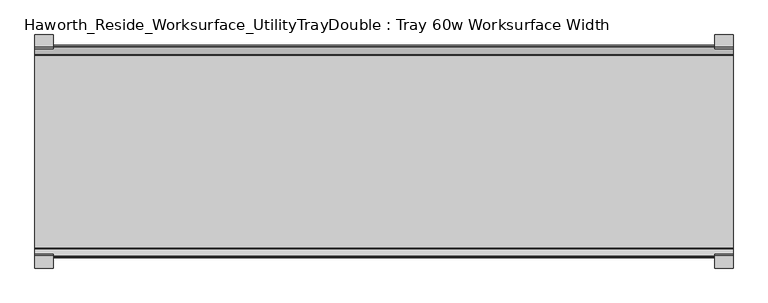
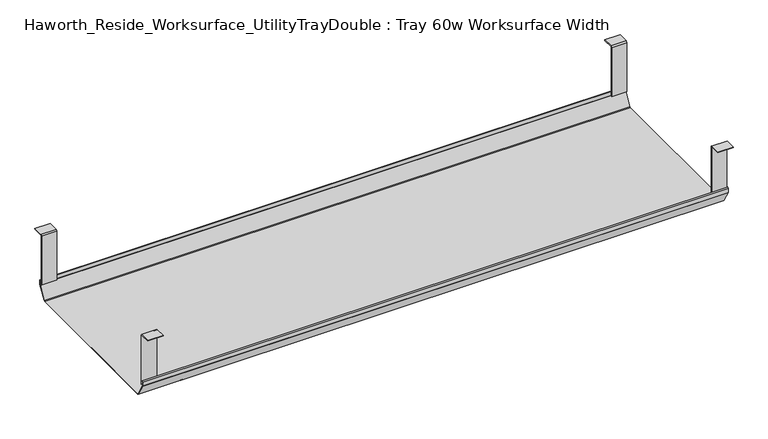
"""IFC4 building model written with IfcOpenShell, lengths in millimetres: furniture geometry, Haworth_Reside_Worksurface_UtilityTrayDouble : Tray 60w Worksurface Width."""

from ifc_helpers import new_model, si_unit, frame, origin, place, context, project, spatial, polyline, outline, extrude, source, transform, mapped, element, save


def haworth_reside_worksurface_utilitytraydouble_tray_60w_185a47b4(model_context):
    return source(origin(), model_context, "Body", "SweptSolid", [
        extrude(outline(polyline([(-721.2228768, 731.8375), (-718.8278791, 729.4425023), (-718.8278791, 621.6649855), (-720.2248778, 621.6649855), (-720.2248778, 729.0734626), (-721.7824239, 730.6310087), (-743.0086797, 730.6310087), (-743.0086797, 731.8375), (-721.2228768, 731.8375)])), frame((793.6991976, 0.0, 0.0), z_axis=(1.0, 0.0, 0.0), x_axis=(0.0, 1.0, 0.0)), (0.0, 0.0, 1.0), 31.8008024),
        extrude(outline(polyline([(-357.7340763, 731.8375), (-335.9482734, 731.8375), (-335.9482734, 730.6310087), (-357.1745292, 730.6310087), (-358.7320753, 729.0734626), (-358.7320753, 621.6649855), (-360.129074, 621.6649855), (-360.129074, 729.4425023), (-357.7340763, 731.8375)])), frame((793.6991976, 0.0, 0.0), z_axis=(1.0, 0.0, 0.0), x_axis=(0.0, 1.0, 0.0)), (0.0, 0.0, 1.0), 31.8008024),
        extrude(outline(polyline([(-721.2228768, 731.8375), (-718.8278791, 729.4425023), (-718.8278791, 621.6649855), (-720.2248778, 621.6649855), (-720.2248778, 729.0734626), (-721.7824239, 730.6310087), (-743.0086797, 730.6310087), (-743.0086797, 731.8375), (-721.2228768, 731.8375)])), frame((-393.7, 0.0, 0.0), z_axis=(1.0, 0.0, 0.0), x_axis=(0.0, 1.0, 0.0)), (0.0, 0.0, 1.0), 31.8008024),
        extrude(outline(polyline([(-357.7340763, 731.8375), (-335.9482734, 731.8375), (-335.9482734, 730.6310087), (-357.1745292, 730.6310087), (-358.7320753, 729.0734626), (-358.7320753, 621.6649855), (-360.129074, 621.6649855), (-360.129074, 729.4425023), (-357.7340763, 731.8375)])), frame((-393.7, 0.0, 0.0), z_axis=(1.0, 0.0, 0.0), x_axis=(0.0, 1.0, 0.0)), (0.0, 0.0, 1.0), 31.8008024),
        extrude(outline(polyline([(-725.025475, 629.0309966), (-722.993477, 631.0629947), (-722.432211, 630.5017287), (-724.231725, 628.7022146), (-724.231725, 620.8042827), (-724.0067745, 619.9647622), (-708.9140802, 593.8234395), (-707.4787101, 592.9947272), (-371.478243, 592.9947272), (-370.0428729, 593.8234395), (-354.9501786, 619.9647622), (-354.7252281, 620.8042827), (-354.7252281, 628.7022146), (-356.5247421, 630.5017287), (-355.9634761, 631.0629947), (-353.9314781, 629.0309966), (-353.9314781, 620.6997828), (-354.2105217, 619.6583856), (-369.5353957, 593.1149156), (-371.1183815, 592.2009772), (-707.691395, 592.2009772), (-709.4951457, 593.2423744), (-724.7464314, 619.6583856), (-725.025475, 620.6997828), (-725.025475, 629.0309966)])), frame((-393.7, 0.0, 0.0), z_axis=(1.0, 0.0, 0.0), x_axis=(0.0, 1.0, 0.0)), (0.0, 0.0, 1.0), 1219.2),
    ])


if __name__ == "__main__":
    model = new_model("IFC4")
    model_context = context("Model", 3, world=origin())
    ifc_project = project(units=[si_unit("LENGTHUNIT", "METRE", prefix="MILLI")], contexts=[model_context])
    site = spatial("IfcSite", under=ifc_project)
    building = spatial("IfcBuilding", under=site)
    placement = place(None, origin())
    haworth_reside_worksurface_utilitytraydouble_tray_60w_shape = haworth_reside_worksurface_utilitytraydouble_tray_60w_185a47b4(model_context)
    element("IfcFurniture", 1, ObjectType="Haworth_Reside_Worksurface_UtilityTrayDouble : Tray 60w Worksurface Width", at=placement, inside=building, context=model_context, shape_type="MappedRepresentation", body=[
        mapped(haworth_reside_worksurface_utilitytraydouble_tray_60w_shape, transform((0.0, 0.0, 0.0), x_axis=(1.0, 0.0, 0.0), y_axis=(0.0, 1.0, 0.0), z_axis=(0.0, 0.0, 1.0))),
    ])
    save(model, "model.ifc")
